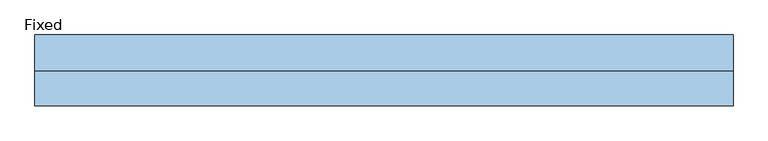
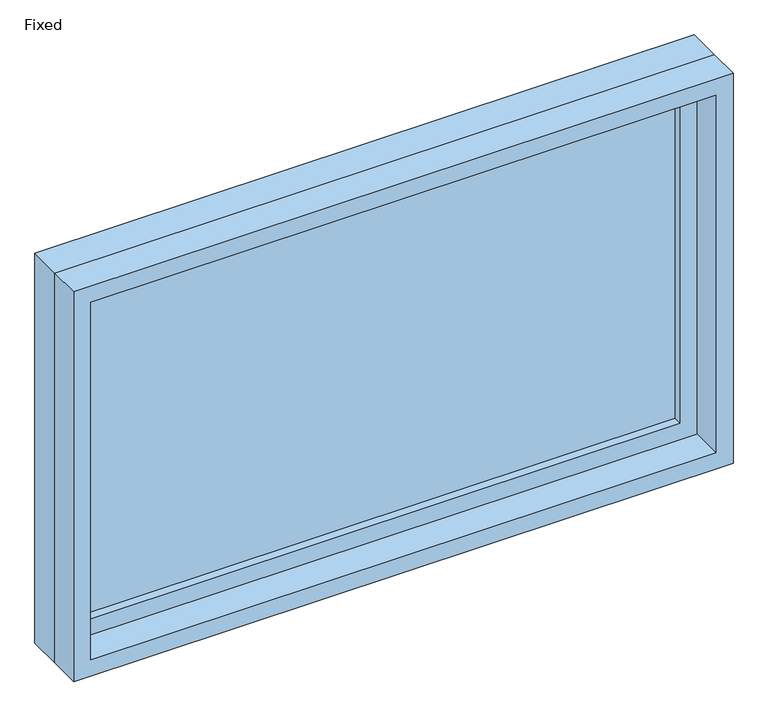
"""IFC4 building model written with IfcOpenShell, lengths in millimetres: window geometry, Fixed."""

from ifc_helpers import new_model, si_unit, frame, origin, place, context, project, spatial, polyline, outline, extrude, source, transform, mapped, element, save


def fixed_e14c8ea2(model_context):
    return source(origin(), model_context, "Body", "SweptSolid", [
        extrude(outline(polyline([(508.0, 14.2875), (-584.2, 14.2875), (-584.2, 26.9875), (508.0, 26.9875), (508.0, 14.2875)])), frame((0.0, 0.0, 1130.3), z_axis=(0.0, 0.0, 1.0), x_axis=(1.0, 0.0, 0.0)), (0.0, 0.0, 1.0), 635.0),
        extrude(outline(polyline([(1809.75, -628.65), (1085.85, -628.65), (1085.85, 552.45), (1809.75, 552.45), (1809.75, -628.65)]), holes=[polyline([(1765.3, -584.2), (1765.3, 508.0), (1130.3, 508.0), (1130.3, -584.2), (1765.3, -584.2)])]), frame((0.0, -1.5875, 0.0), z_axis=(0.0, 1.0, 0.0), x_axis=(0.0, 0.0, 1.0)), (0.0, 0.0, 1.0), 44.45),
        extrude(outline(polyline([(1828.8, -647.7), (1066.8, -647.7), (1066.8, 571.5), (1828.8, 571.5), (1828.8, -647.7)]), holes=[polyline([(1797.05, -615.95), (1797.05, 539.75), (1098.55, 539.75), (1098.55, -615.95), (1797.05, -615.95)])]), frame((0.0, -61.9125, 0.0), z_axis=(0.0, 1.0, 0.0), x_axis=(0.0, 0.0, 1.0)), (0.0, 0.0, 1.0), 60.325),
        extrude(outline(polyline([(1828.8, 571.5), (1828.8, -647.7), (1066.8, -647.7), (1066.8, 571.5), (1828.8, 571.5)]), holes=[polyline([(1809.75, 552.45), (1085.85, 552.45), (1085.85, -628.65), (1809.75, -628.65), (1809.75, 552.45)])]), frame((0.0, -1.5875, 0.0), z_axis=(0.0, 1.0, 0.0), x_axis=(0.0, 0.0, 1.0)), (0.0, 0.0, 1.0), 63.5),
    ])


if __name__ == "__main__":
    model = new_model("IFC4")
    model_context = context("Model", 3, world=origin())
    ifc_project = project(units=[si_unit("LENGTHUNIT", "METRE", prefix="MILLI")], contexts=[model_context])
    site = spatial("IfcSite", under=ifc_project)
    building = spatial("IfcBuilding", under=site)
    placement = place(None, origin())
    fixed_shape = fixed_e14c8ea2(model_context)
    element("IfcWindow", 1, ObjectType="Fixed", at=placement, inside=building, context=model_context, shape_type="MappedRepresentation", body=[
        mapped(fixed_shape, transform((0.0, 0.0, 0.0), x_axis=(1.0, 0.0, 0.0), y_axis=(0.0, 1.0, 0.0), z_axis=(0.0, 0.0, 1.0))),
    ])
    save(model, "model.ifc")
